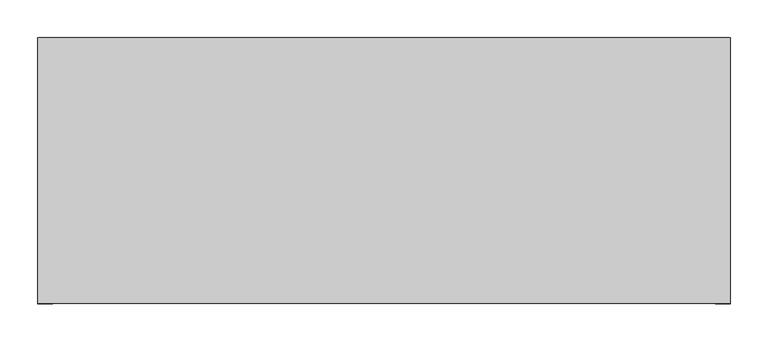
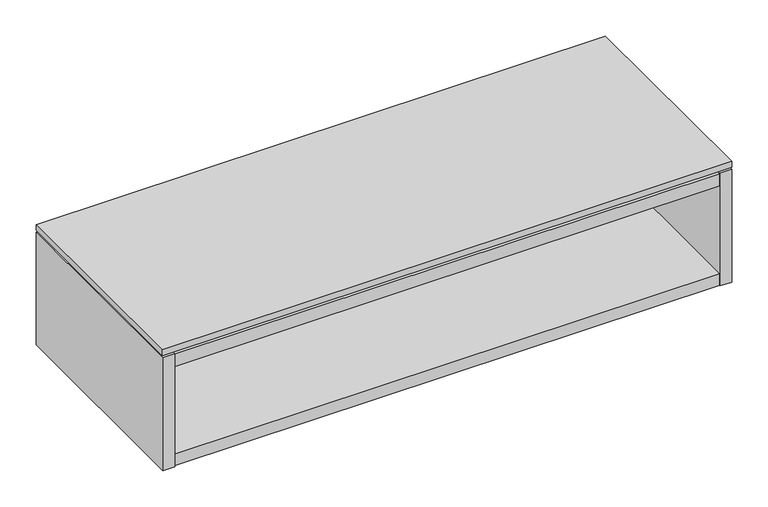
"""IFC4 building model written with IfcOpenShell, lengths in millimetres: furniture geometry."""

from ifc_helpers import new_model, si_unit, frame, origin, place, context, project, spatial, polyline, outline, extrude, faceted_brep, source, transform, mapped, element, save


def furniture_2a2ebe76(model_context):
    return source(origin(), model_context, "Body", "SolidModel", [
        extrude(outline(polyline([(454.2234375, -191.0115724), (-457.2, -191.0115724), (-457.2, 158.8226276), (454.2234375, 158.8226276), (454.2234375, -191.0115724)])), frame((0.0, 0.0, 765.302), z_axis=(0.0, 0.0, 1.0), x_axis=(1.0, 0.0, 0.0)), (0.0, 0.0, 1.0), 9.779),
        extrude(outline(polyline([(-437.896, 145.5282676), (-437.896, 158.8226276), (434.9194375, 158.8226276), (434.9194375, 145.5282676), (-437.896, 145.5282676)])), frame((0.0, 0.0, 664.11475), z_axis=(0.0, 0.0, 1.0), x_axis=(1.0, 0.0, 0.0)), (0.0, 0.0, 1.0), 76.2),
        faceted_brep([(434.9194375, -191.0115724, 591.566), (-437.896, -191.0115724, 591.566), (-437.896, -191.0115724, 572.262), (434.9194375, -191.0115724, 572.262), (-437.896, 145.5282676, 740.31475), (434.9194375, 145.5282676, 740.31475), (434.9194375, 145.5282676, 571.5), (-437.896, 145.5282676, 571.5), (434.9194375, 126.2242676, 591.566), (-437.896, 126.2242676, 591.566), (-437.896, 126.2242676, 572.262), (434.9194375, 126.2242676, 572.262), (-437.896, 158.8226276, 762.0), (-457.2, 158.8226276, 762.0), (-457.2, -191.7735724, 762.0), (-437.896, -191.7735724, 762.0), (434.9194375, -191.7735724, 762.0), (454.2234375, -191.7735724, 762.0), (454.2234375, 158.8226276, 762.0), (434.9194375, 158.8226276, 762.0), (-437.896, -191.7735724, 571.5), (-457.2, -191.7735724, 571.5), (-457.2, 158.8226276, 571.5), (-437.896, 158.8226276, 571.5), (434.9194375, 158.8226276, 571.5), (454.2234375, 158.8226276, 571.5), (454.2234375, -191.7735724, 571.5), (434.9194375, -191.7735724, 571.5), (434.9194375, 126.2242676, 571.5), (-437.896, 126.2242676, 571.5), (-437.896, 158.8226276, 761.238), (434.9194375, 158.8226276, 761.238), (434.9194375, 158.8226276, 740.31475), (-437.896, 158.8226276, 740.31475), (-437.896, 126.2242676, 740.31475), (-437.896, -191.0115724, 740.31475), (-437.896, -191.0115724, 761.238), (434.9194375, -191.0115724, 761.238), (434.9194375, -191.0115724, 740.31475), (434.9194375, 126.2242676, 740.31475)], [[[0, 1, 2, 3]], [[4, 5, 6, 7]], [[1, 0, 8, 9]], [[3, 2, 10, 11]], [[12, 13, 14, 15]], [[16, 17, 18, 19]], [[20, 21, 22, 23, 7, 6, 24, 25, 26, 27, 28, 29]], [[13, 12, 30, 31, 19, 18, 25, 24, 32, 33, 23, 22]], [[14, 13, 22, 21]], [[15, 14, 21, 20]], [[4, 7, 23, 33]], [[12, 15, 20, 29, 10, 2, 1, 9, 34, 35, 36, 30]], [[6, 5, 32, 24]], [[16, 19, 31, 37, 38, 39, 8, 0, 3, 11, 28, 27]], [[17, 16, 27, 26]], [[18, 17, 26, 25]], [[37, 36, 35, 38]], [[36, 37, 31, 30]], [[33, 32, 5, 4]], [[38, 35, 34, 39]], [[9, 8, 39, 34]], [[29, 28, 11, 10]]]),
    ])


if __name__ == "__main__":
    model = new_model("IFC4")
    model_context = context("Model", 3, world=origin())
    ifc_project = project(units=[si_unit("LENGTHUNIT", "METRE", prefix="MILLI")], contexts=[model_context])
    site = spatial("IfcSite", under=ifc_project)
    building = spatial("IfcBuilding", under=site)
    placement = place(None, origin())
    furniture_shape = furniture_2a2ebe76(model_context)
    element("IfcFurniture", 1, at=placement, inside=building, context=model_context, shape_type="MappedRepresentation", body=[
        mapped(furniture_shape, transform((0.0, 0.0, 0.0), x_axis=(1.0, 0.0, 0.0), y_axis=(0.0, 1.0, 0.0), z_axis=(0.0, 0.0, 1.0))),
    ])
    save(model, "model.ifc")
